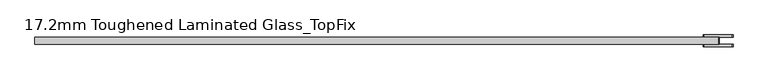
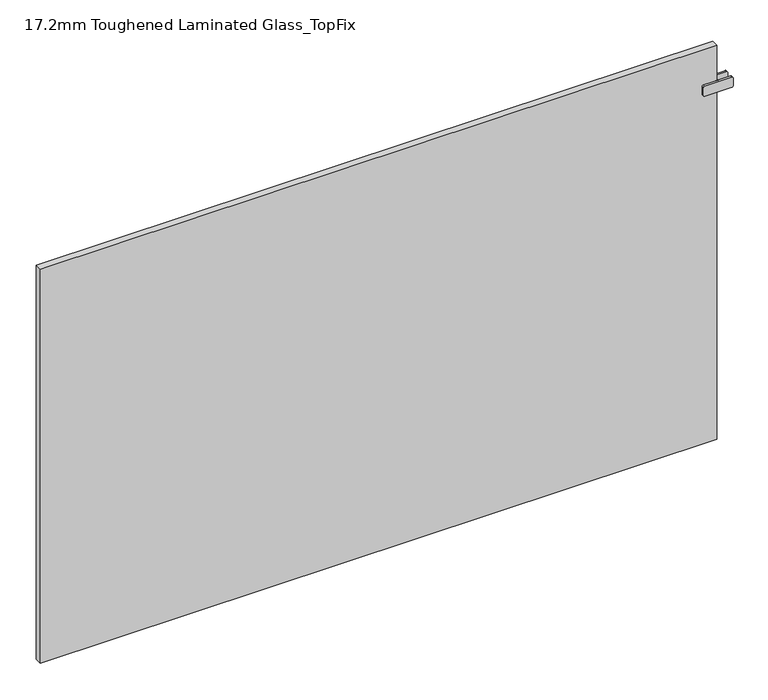
"""IFC4 building model written with IfcOpenShell, lengths in millimetres: plate geometry, 17.2mm Toughened Laminated Glass_TopFix."""

from ifc_helpers import new_model, si_unit, point, frame, frame_2d, origin, origin_with_axes, place, context, project, spatial, polyline, circle_curve, trimmed, segment, composite_curve, outline, extrude, source, transform, mapped, element, save


def plate_17_2mm_toughened_laminated_glass_topfix_7976bc3f(model_context):
    return source(origin(), model_context, "Body", "SweptSolid", [
        extrude(outline(polyline([(797.5000001, -8.6), (792.5000001, -8.6), (792.5000001, 8.6), (797.5000001, 8.6), (797.5000001, -8.6)])), frame((0.0, 0.0, 866.5), z_axis=(0.0, 0.0, 1.0), x_axis=(1.0, 0.0, 0.0)), (0.0, 0.0, 1.0), 25.0),
        extrude(outline(composite_curve([segment(polyline([(866.5, 763.0000001), (866.5, 827.0000001)]), True, "CONTINUOUS"), segment(trimmed(circle_curve(frame_2d((869.5, 827.0000001)), 3.0), [point((866.5, 827.0000001))], [point((869.5, 830.0000001))], False, "CARTESIAN"), True, "CONTINUOUS"), segment(polyline([(869.5, 830.0000001), (888.5, 830.0000001)]), True, "CONTINUOUS"), segment(trimmed(circle_curve(frame_2d((888.5, 827.0000001)), 3.0), [point((888.5, 830.0000001))], [point((891.5, 827.0000001))], False, "CARTESIAN"), True, "CONTINUOUS"), segment(polyline([(891.5, 827.0000001), (891.5, 763.0000001)]), True, "CONTINUOUS"), segment(trimmed(circle_curve(frame_2d((888.5, 763.0000001)), 3.0), [point((891.5, 763.0000001))], [point((888.5, 760.0000001))], False, "CARTESIAN"), True, "CONTINUOUS"), segment(polyline([(888.5, 760.0000001), (869.5, 760.0000001)]), True, "CONTINUOUS"), segment(trimmed(circle_curve(frame_2d((869.5, 763.0000001)), 3.0), [point((869.5, 760.0000001))], [point((866.5, 763.0000001))], False, "CARTESIAN"), True, "CONTINUOUS")], self_intersect=False)), frame((0.0, 8.6, 0.0), z_axis=(0.0, 1.0, 0.0), x_axis=(0.0, 0.0, 1.0)), (0.0, 0.0, 1.0), 5.0),
        extrude(outline(composite_curve([segment(polyline([(866.5, 763.0000001), (866.5, 827.0000001)]), True, "CONTINUOUS"), segment(trimmed(circle_curve(frame_2d((869.5, 827.0000001)), 3.0), [point((866.5, 827.0000001))], [point((869.5, 830.0000001))], False, "CARTESIAN"), True, "CONTINUOUS"), segment(polyline([(869.5, 830.0000001), (888.5, 830.0000001)]), True, "CONTINUOUS"), segment(trimmed(circle_curve(frame_2d((888.5, 827.0000001)), 3.0), [point((888.5, 830.0000001))], [point((891.5, 827.0000001))], False, "CARTESIAN"), True, "CONTINUOUS"), segment(polyline([(891.5, 827.0000001), (891.5, 763.0000001)]), True, "CONTINUOUS"), segment(trimmed(circle_curve(frame_2d((888.5, 763.0000001)), 3.0), [point((891.5, 763.0000001))], [point((888.5, 760.0000001))], False, "CARTESIAN"), True, "CONTINUOUS"), segment(polyline([(888.5, 760.0000001), (869.5, 760.0000001)]), True, "CONTINUOUS"), segment(trimmed(circle_curve(frame_2d((869.5, 763.0000001)), 3.0), [point((869.5, 760.0000001))], [point((866.5, 763.0000001))], False, "CARTESIAN"), True, "CONTINUOUS")], self_intersect=False)), frame((0.0, -13.6, 0.0), z_axis=(0.0, 1.0, 0.0), x_axis=(0.0, 0.0, 1.0)), (0.0, 0.0, 1.0), 5.0),
        extrude(outline(polyline([(795.0000001, 8.6), (795.0000001, -8.6), (-795.0000001, -8.6), (-795.0000001, 8.6), (795.0000001, 8.6)])), origin_with_axes(), (0.0, 0.0, 1.0), 979.0),
    ])


if __name__ == "__main__":
    model = new_model("IFC4")
    model_context = context("Model", 3, world=origin())
    ifc_project = project(units=[si_unit("LENGTHUNIT", "METRE", prefix="MILLI")], contexts=[model_context])
    site = spatial("IfcSite", under=ifc_project)
    building = spatial("IfcBuilding", under=site)
    placement = place(None, origin())
    plate_17_2mm_toughened_laminated_glass_topfix_shape = plate_17_2mm_toughened_laminated_glass_topfix_7976bc3f(model_context)
    element("IfcPlate", 1, ObjectType="17.2mm Toughened Laminated Glass_TopFix", at=placement, inside=building, context=model_context, shape_type="MappedRepresentation", body=[
        mapped(plate_17_2mm_toughened_laminated_glass_topfix_shape, transform((0.0, 0.0, 0.0), x_axis=(1.0, 0.0, 0.0), y_axis=(0.0, 1.0, 0.0), z_axis=(0.0, 0.0, 1.0))),
    ])
    save(model, "model.ifc")
